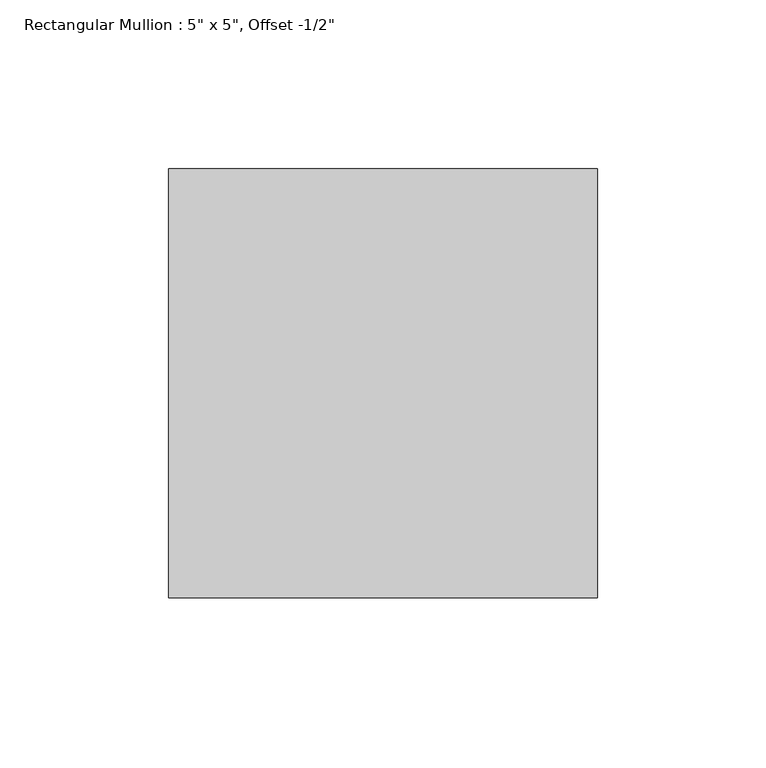
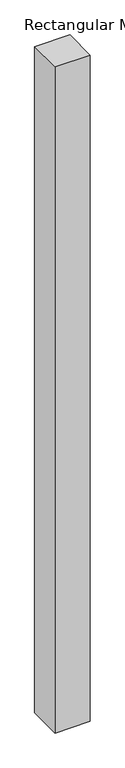
"""IFC4 building model written with IfcOpenShell, lengths in millimetres: member geometry."""

from ifc_helpers import new_model, si_unit, frame, origin, place, context, project, spatial, polyline, outline, extrude, source, transform, mapped, element, save


def member_22af997a(model_context):
    return source(origin(), model_context, "Body", "SweptSolid", [
        extrude(outline(polyline([(63.5, 76.2), (63.5, -50.8), (-63.5, -50.8), (-63.5, 76.2), (63.5, 76.2)])), frame((0.0, 0.0, -2548.4666667), z_axis=(0.0, 0.0, 1.0), x_axis=(1.0, 0.0, 0.0)), (0.0, 0.0, 1.0), 2548.4666667),
    ])


if __name__ == "__main__":
    model = new_model("IFC4")
    model_context = context("Model", 3, world=origin())
    ifc_project = project(units=[si_unit("LENGTHUNIT", "METRE", prefix="MILLI")], contexts=[model_context])
    site = spatial("IfcSite", under=ifc_project)
    building = spatial("IfcBuilding", under=site)
    placement = place(None, origin())
    member_shape = member_22af997a(model_context)
    element("IfcMember", 1, ObjectType="Rectangular Mullion : 5\" x 5\", Offset -1/2\"", at=placement, inside=building, context=model_context, shape_type="MappedRepresentation", body=[
        mapped(member_shape, transform((0.0, 0.0, 0.0), x_axis=(1.0, 0.0, 0.0), y_axis=(0.0, 1.0, 0.0), z_axis=(0.0, 0.0, 1.0))),
    ])
    save(model, "model.ifc")
